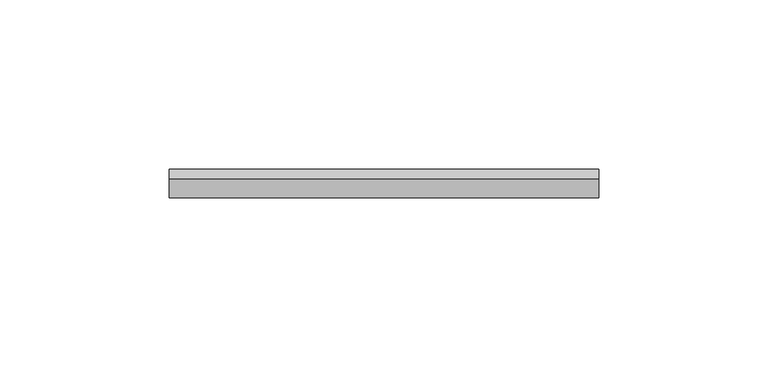
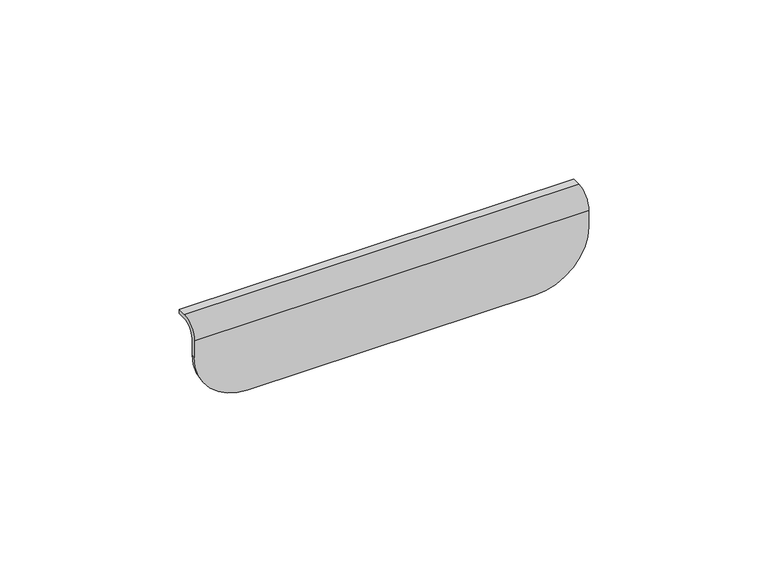
"""IFC4 building model written with IfcOpenShell, lengths in millimetres: furniture geometry."""

from ifc_helpers import new_model, si_unit, frame, origin, place, context, project, spatial, polyline, circle_curve, source, transform, mapped, element, save
from ifc_brep_helpers import plane_surface, cylinder_surface, revolved_surface, advanced_brep


def furniture_ab3b23df(model_context):
    return source(origin(), model_context, "Body", "AdvancedBrep", [
        advanced_brep(
        [(127.0, 0.0, 855.6752), (0.0, 0.0, 855.6752), (0.0, -2.8263482, 855.6752), (127.0, -2.8263482, 855.6752), (109.7788, -8.382, 827.3288), (17.2212, -8.382, 827.3288), (17.2212, -7.112, 827.3288), (109.7788, -7.112, 827.3288), (127.0, 0.0, 854.4052), (0.0, 0.0, 854.4052), (0.0, -2.8263482, 854.4052), (0.0, -7.112, 850.1195482), (0.0, -7.112, 844.55), (0.0, -8.382, 844.55), (0.0, -8.382, 850.1195482), (127.0, -8.382, 844.55), (127.0, -8.382, 850.1195482), (127.0, -7.112, 844.55), (127.0, -7.112, 850.1195482), (127.0, -2.8263482, 854.4052)],
        [
            (0, 1),
            (1, 2),
            (2, 3),
            (3, 0),
            (4, 5),
            (5, 6),
            (6, 7),
            (7, 4),
            (0, 8),
            (8, 9),
            (9, 1),
            (9, 10),
            (10, 11, circle_curve(frame((0.0, -2.8263482, 850.1195482), z_axis=(1.0, 0.0, 0.0), x_axis=(0.0, 1.0, 0.0)), 4.2856518)),
            (11, 12),
            (12, 13),
            (13, 14),
            (14, 2, circle_curve(frame((0.0, -2.8263482, 850.1195482), z_axis=(-1.0, 0.0, 0.0), x_axis=(0.0, 1.0, 0.0)), 5.5556518)),
            (4, 15, circle_curve(frame((109.7788, -8.382, 844.55), z_axis=(0.0, -1.0, 0.0), x_axis=(1.0, 0.0, 0.0)), 17.2212)),
            (15, 16),
            (16, 14),
            (13, 5, circle_curve(frame((17.2212, -8.382, 844.55), z_axis=(0.0, -1.0, 0.0), x_axis=(1.0, 0.0, 0.0)), 17.2212)),
            (3, 16, circle_curve(frame((127.0, -2.8263482, 850.1195482), z_axis=(1.0, 0.0, 0.0), x_axis=(0.0, 1.0, 0.0)), 5.5556518)),
            (15, 17),
            (17, 18),
            (18, 19, circle_curve(frame((127.0, -2.8263482, 850.1195482), z_axis=(-1.0, 0.0, 0.0), x_axis=(0.0, 1.0, 0.0)), 4.2856518)),
            (19, 8),
            (12, 6, circle_curve(frame((17.2212, -7.112, 844.55), z_axis=(0.0, -1.0, 0.0), x_axis=(1.0, 0.0, 0.0)), 17.2212)),
            (7, 17, circle_curve(frame((109.7788, -7.112, 844.55), z_axis=(0.0, -1.0, 0.0), x_axis=(1.0, 0.0, 0.0)), 17.2212)),
            (11, 18),
            (19, 10),
        ],
        [
            plane_surface(frame((0.0, 0.0, 855.6752), z_axis=(0.0, 0.0, 1.0), x_axis=(-1.0, 0.0, 0.0))),
            plane_surface(frame((0.0, 0.0, 827.3288), z_axis=(0.0, 0.0, -1.0), x_axis=(1.0, 0.0, 0.0))),
            plane_surface(frame((127.0, 0.0, 855.6752), z_axis=(0.0, 1.0, 0.0), x_axis=(0.0, 0.0, -1.0))),
            plane_surface(frame((0.0, 0.0, 855.6752), z_axis=(-1.0, 0.0, 0.0), x_axis=(0.0, 0.0, -1.0))),
            plane_surface(frame((0.0, -8.382, 855.6752), z_axis=(0.0, -1.0, 0.0), x_axis=(0.0, 0.0, -1.0))),
            plane_surface(frame((127.0, -8.382, 855.6752), z_axis=(1.0, 0.0, 0.0), x_axis=(0.0, 0.0, -1.0))),
            cylinder_surface(frame((17.2212, 0.0, 844.55), z_axis=(0.0, 1.0, 0.0), x_axis=(1.0, 0.0, 0.0)), 17.2212),
            cylinder_surface(frame((109.7788, 0.0, 844.55), z_axis=(0.0, 1.0, 0.0), x_axis=(1.0, 0.0, 0.0)), 17.2212),
            cylinder_surface(frame((0.0, -2.8263482, 850.1195482), z_axis=(-1.0, 0.0, 0.0), x_axis=(0.0, 1.0, 0.0)), 5.5556518),
            plane_surface(frame((127.0, -7.112, 850.1195482), z_axis=(0.0, 1.0, 0.0), x_axis=(-1.0, 0.0, 0.0))),
            plane_surface(frame((127.0, 0.0, 854.4052), z_axis=(0.0, 0.0, -1.0), x_axis=(-1.0, 0.0, 0.0))),
            revolved_surface(polyline([(127.0, 1.4593036000000001, 850.1195482), (0.0, 1.4593036000000001, 850.1195482)]), (0.0, -2.8263482, 850.1195482), (1.0, 0.0, 0.0)),
        ],
        [
            (0, [[1, 2, 3, 4]]),
            (1, [[5, 6, 7, 8]]),
            (2, [[-1, 9, 10, 11]]),
            (3, [[-2, -11, 12, 13, 14, 15, 16, 17]]),
            (4, [[-5, 18, 19, 20, -16, 21]]),
            (5, [[-4, 22, -19, 23, 24, 25, 26, -9]]),
            (6, [[-21, -15, 27, -6]]),
            (7, [[-18, -8, 28, -23]]),
            (8, [[-3, -17, -20, -22]]),
            (9, [[29, -24, -28, -7, -27, -14]]),
            (10, [[30, -12, -10, -26]]),
            (11, [[-29, -13, -30, -25]]),
        ],
    ),
    ])


if __name__ == "__main__":
    model = new_model("IFC4")
    model_context = context("Model", 3, world=origin())
    ifc_project = project(units=[si_unit("LENGTHUNIT", "METRE", prefix="MILLI")], contexts=[model_context])
    site = spatial("IfcSite", under=ifc_project)
    building = spatial("IfcBuilding", under=site)
    placement = place(None, origin())
    furniture_shape = furniture_ab3b23df(model_context)
    element("IfcFurniture", 1, at=placement, inside=building, context=model_context, shape_type="MappedRepresentation", body=[
        mapped(furniture_shape, transform((0.0, 0.0, 0.0), x_axis=(1.0, 0.0, 0.0), y_axis=(0.0, 1.0, 0.0), z_axis=(0.0, 0.0, 1.0))),
    ])
    save(model, "model.ifc")
